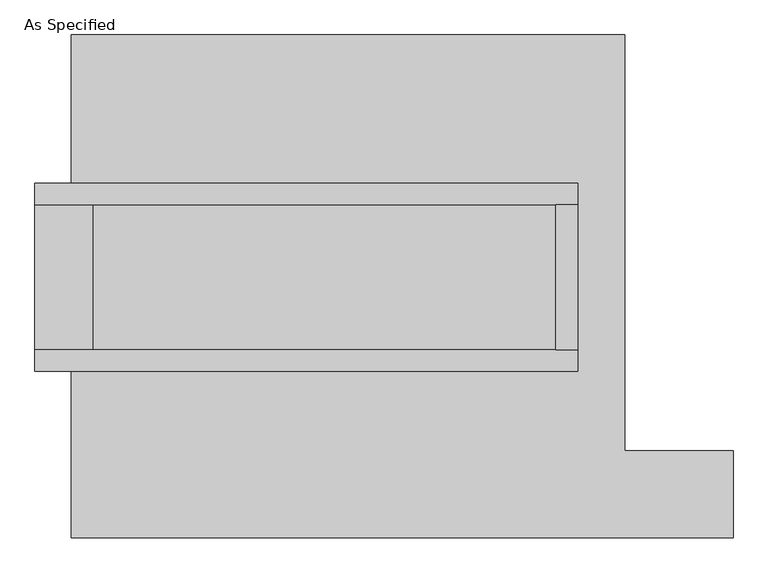
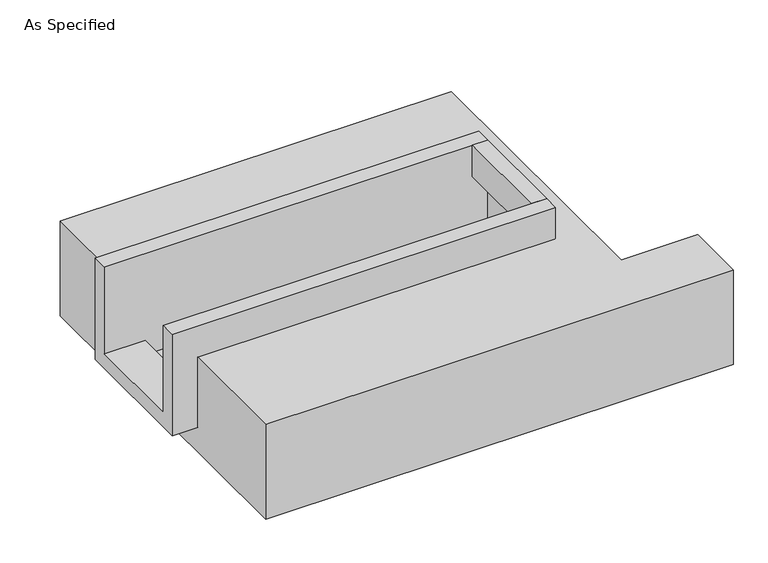
"""IFC4 building model written with IfcOpenShell, lengths in millimetres: proxy geometry, As Specified."""

from ifc_helpers import new_model, si_unit, frame, origin, place, context, project, spatial, polyline, outline, extrude, faceted_brep, source, transform, mapped, element, save


def as_specified_792d7bc1(model_context):
    return source(origin(), model_context, "Body", "SolidModel", [
        extrude(outline(polyline([(730.25, 285.75), (806.45, 285.75), (806.45, -222.25), (730.25, -222.25), (730.25, 285.75)])), frame((0.0, 0.0, -25.4), z_axis=(0.0, 0.0, 1.0), x_axis=(1.0, 0.0, 0.0)), (0.0, 0.0, 1.0), 165.1),
        faceted_brep([(806.45, 285.75, 139.7), (806.45, 285.75, -317.5), (806.45, -222.25, -317.5), (806.45, -222.25, 139.7), (806.45, -298.45, 139.7), (806.45, -298.45, -393.7), (806.45, 361.95, -393.7), (806.45, 361.95, 139.7), (-1098.55, 285.75, 139.7), (-1098.55, 361.95, 139.7), (-1098.55, 361.95, -393.7), (-1098.55, -298.45, -393.7), (-1098.55, -298.45, 139.7), (-1098.55, -222.25, 139.7), (-1098.55, -222.25, -317.5), (-1098.55, 285.75, -317.5), (-895.35, 285.75, -393.7), (-895.35, -222.25, -393.7), (730.25, -222.25, -393.7), (730.25, 285.75, -393.7), (730.25, -222.25, -317.5), (-895.35, -222.25, -317.5), (730.25, 285.75, -317.5), (-895.35, 285.75, -317.5)], [[[0, 1, 2, 3, 4, 5, 6, 7]], [[8, 9, 10, 11, 12, 13, 14, 15]], [[0, 7, 9, 8]], [[7, 6, 10, 9]], [[6, 5, 11, 10], [16, 17, 18, 19]], [[4, 3, 13, 12]], [[3, 2, 20, 18, 17, 21, 14, 13]], [[2, 1, 22, 20]], [[15, 14, 21, 23]], [[1, 0, 8, 15, 23, 16, 19, 22]], [[21, 17, 16, 23]], [[18, 20, 22, 19]], [[5, 4, 12, 11]]]),
        faceted_brep([(-971.55, 882.65, -523.9742188), (971.55, 882.65, -523.9742188), (971.55, -577.85, -523.9742188), (1352.55, -577.85, -523.9742188), (1352.55, -882.65, -523.9742188), (-971.55, -882.65, -523.9742188), (971.55, 882.65, -25.4), (-971.55, 882.65, -25.4), (-971.55, 361.95, -25.4), (806.45, 361.95, -25.4), (806.45, -298.45, -25.4), (-971.55, -298.45, -25.4), (-971.55, -882.65, -25.4), (1352.55, -882.65, -25.4), (1352.55, -577.85, -25.4), (971.55, -577.85, -25.4), (-971.55, -298.45, -393.7), (-971.55, 361.95, -393.7), (806.45, 361.95, -393.7), (806.45, -298.45, -393.7)], [[[0, 1, 2, 3, 4, 5]], [[6, 7, 8, 9, 10, 11, 12, 13, 14, 15]], [[1, 0, 7, 6]], [[7, 0, 5, 12, 11, 16, 17, 8]], [[1, 6, 15, 2]], [[5, 4, 13, 12]], [[18, 19, 10, 9]], [[17, 18, 9, 8]], [[19, 18, 17, 16]], [[19, 16, 11, 10]], [[4, 3, 14, 13]], [[3, 2, 15, 14]]]),
    ])


if __name__ == "__main__":
    model = new_model("IFC4")
    model_context = context("Model", 3, world=origin())
    ifc_project = project(units=[si_unit("LENGTHUNIT", "METRE", prefix="MILLI")], contexts=[model_context])
    site = spatial("IfcSite", under=ifc_project)
    building = spatial("IfcBuilding", under=site)
    placement = place(None, origin())
    as_specified_shape = as_specified_792d7bc1(model_context)
    element("IfcBuildingElementProxy", 1, Name="As Specified", ObjectType="As Specified", at=placement, inside=building, context=model_context, shape_type="MappedRepresentation", body=[
        mapped(as_specified_shape, transform((0.0, 0.0, 0.0), x_axis=(1.0, 0.0, 0.0), y_axis=(0.0, 1.0, 0.0), z_axis=(0.0, 0.0, 1.0))),
    ])
    save(model, "model.ifc")
